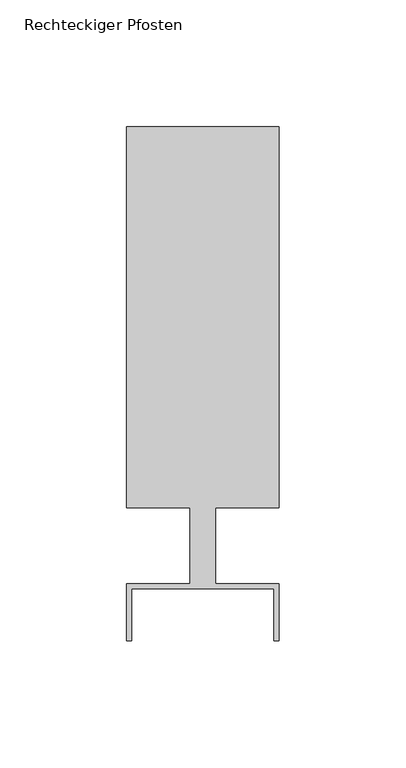
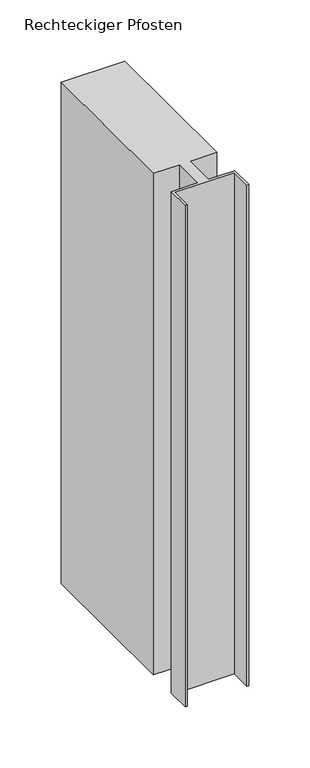
"""IFC4 building model written with IfcOpenShell, lengths in millimetres: member geometry, Rechteckiger Pfosten."""

from ifc_helpers import new_model, si_unit, frame, origin, place, context, project, spatial, polyline, outline, extrude, source, transform, mapped, element, save


def rechteckiger_pfosten_a3fc2b97(model_context):
    return source(origin(), model_context, "Body", "SweptSolid", [
        extrude(outline(polyline([(28.0, -37.5), (28.0, -17.0), (-28.0, -17.0), (-28.0, -37.5), (-30.0, -37.5), (-30.0, -15.0), (-5.0, -15.0), (-5.0, 15.0), (-30.0, 15.0), (-30.0, 165.0), (30.0, 165.0), (30.0, 15.0), (5.0, 15.0), (5.0, -15.0), (30.0, -15.0), (30.0, -37.5), (28.0, -37.5)])), frame((0.0, 0.0, -500.0), z_axis=(0.0, 0.0, 1.0), x_axis=(1.0, 0.0, 0.0)), (0.0, 0.0, 1.0), 500.0),
    ])


if __name__ == "__main__":
    model = new_model("IFC4")
    model_context = context("Model", 3, world=origin())
    ifc_project = project(units=[si_unit("LENGTHUNIT", "METRE", prefix="MILLI")], contexts=[model_context])
    site = spatial("IfcSite", under=ifc_project)
    building = spatial("IfcBuilding", under=site)
    placement = place(None, origin())
    rechteckiger_pfosten_shape = rechteckiger_pfosten_a3fc2b97(model_context)
    element("IfcMember", 1, ObjectType="Rechteckiger Pfosten", at=placement, inside=building, context=model_context, shape_type="MappedRepresentation", body=[
        mapped(rechteckiger_pfosten_shape, transform((0.0, 0.0, 0.0), x_axis=(1.0, 0.0, 0.0), y_axis=(0.0, 1.0, 0.0), z_axis=(0.0, 0.0, 1.0))),
    ])
    save(model, "model.ifc")
